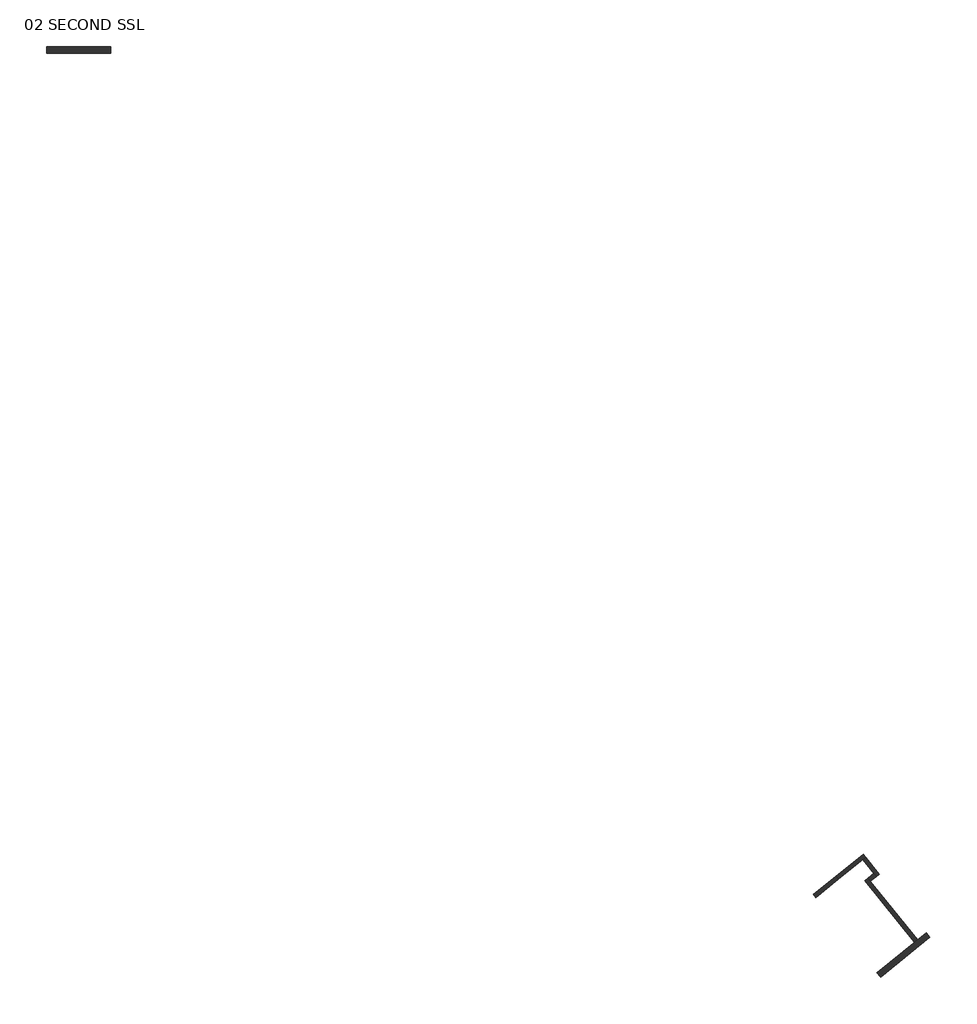
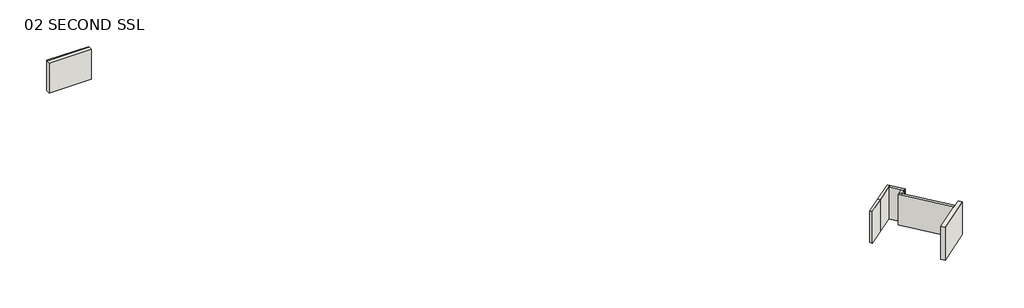
# One storey: 7 walls.
"""IFC4 building model written with IfcOpenShell, lengths in millimetres."""

import ifcopenshell
import ifcopenshell.guid

model = None  # the IFC model being written
_history = None  # IfcOwnerHistory: only IFC2X3 demands one
_inside = {}  # id of a spatial element -> (the spatial element, [elements in it])
_under = {}  # id of a project, library or spatial element -> (it, [spatial elements below it])
_declared = {}  # id of a project -> (the project, [libraries it declares])
_typed = {}  # id of a type object -> (the type object, [elements of that type])
_made_of = {}  # id of a material, layer set ... -> (it, [elements and type objects made of it])


def new_model(schema):
    """Start an empty IFC model of exactly this schema.

    Asked for "IFC4X3", IfcOpenShell would pick the latest addendum, in which some entities
    have other attributes; the version numbers below select the first issue.
    IFC2X3 requires an IfcOwnerHistory on every rooted entity: one is made here for all.
    """
    global model, _history
    if schema == "IFC4X3":
        model = ifcopenshell.file(schema_version=(4, 3, 0, 0))
    else:
        model = ifcopenshell.file(schema=schema)
    _inside.clear()
    _under.clear()
    _declared.clear()
    _typed.clear()
    _made_of.clear()
    _history = None
    if model.schema == "IFC2X3":
        org = make("IfcOrganization", Name="unknown")
        user = make(
            "IfcPersonAndOrganization",
            ThePerson=make("IfcPerson", FamilyName="unknown"),
            TheOrganization=org,
        )
        app = make(
            "IfcApplication",
            ApplicationDeveloper=org,
            Version="unknown",
            ApplicationFullName="unknown",
            ApplicationIdentifier="unknown",
        )
        _history = make(
            "IfcOwnerHistory",
            OwningUser=user,
            OwningApplication=app,
            ChangeAction="ADDED",
            CreationDate=0,
        )
    return model


def make(cls, **values):
    """One entity of the class cls with the attributes given. An attribute that is None is left unset."""
    return model.create_entity(
        cls, **{name: value for name, value in values.items() if value is not None}
    )


def rooted(cls, **values):
    """An entity with a GlobalId (a new one), such as an element, a storey or a relation."""
    return make(cls, GlobalId=ifcopenshell.guid.new(), OwnerHistory=_history, **values)


def si_unit(unit_type, name, prefix=None):
    """IfcSIUnit, for example si_unit("LENGTHUNIT", "METRE", prefix="MILLI")."""
    return make("IfcSIUnit", UnitType=unit_type, Prefix=prefix, Name=name)


def assignment(units):
    """IfcUnitAssignment: the units of a project."""
    return None if units is None else make("IfcUnitAssignment", Units=units)


def point(xyz):
    """IfcCartesianPoint."""
    return None if xyz is None else make("IfcCartesianPoint", Coordinates=xyz)


def direction(xyz):
    """IfcDirection."""
    return None if xyz is None else make("IfcDirection", DirectionRatios=xyz)


def frame(location, z_axis=None, x_axis=None):
    """IfcAxis2Placement3D, a coordinate frame: its origin and axes. An axis left out is left unset."""
    return make(
        "IfcAxis2Placement3D",
        Location=point(location),
        Axis=direction(z_axis),
        RefDirection=direction(x_axis),
    )


def origin():
    """The frame at (0, 0, 0) with its axes left unset."""
    return frame((0.0, 0.0, 0.0))


def place(relative_to, where):
    """IfcLocalPlacement: puts the frame where relative to a parent placement (None: the world)."""
    return make(
        "IfcLocalPlacement", PlacementRelTo=relative_to, RelativePlacement=where
    )


def context(
    kind, dimensions, precision=None, world=None, true_north=None, identifier=None
):
    """IfcGeometricRepresentationContext, for example the 3D "Model" context."""
    return make(
        "IfcGeometricRepresentationContext",
        ContextIdentifier=identifier,
        ContextType=kind,
        CoordinateSpaceDimension=dimensions,
        Precision=precision,
        WorldCoordinateSystem=world,
        TrueNorth=true_north,
    )


def project(units=None, contexts=None):
    """IfcProject with its units and contexts."""
    return rooted(
        "IfcProject",
        Name="project",
        RepresentationContexts=contexts,
        UnitsInContext=assignment(units),
    )


def spatial(cls, under=None, at=None, **own):
    """A site, building, storey or space (cls), placed at a placement, below another one or the project."""
    s = rooted(cls, ObjectPlacement=at, **own)
    if under is not None:
        _under.setdefault(under.id(), (under, []))[1].append(s)
    return s


def polyline(points):
    """IfcPolyline through the points."""
    return make("IfcPolyline", Points=[point(p) for p in points])


def outline(outer, holes=None, kind="AREA"):
    """IfcArbitraryClosedProfileDef: a profile drawn as a closed curve; with holes, ...WithVoids."""
    if holes is None:
        return make("IfcArbitraryClosedProfileDef", ProfileType=kind, OuterCurve=outer)
    return make(
        "IfcArbitraryProfileDefWithVoids",
        ProfileType=kind,
        OuterCurve=outer,
        InnerCurves=holes,
    )


def extrude(swept, where, along, depth):
    """IfcExtrudedAreaSolid: the profile swept, set in the frame where, extruded along a direction by depth."""
    return make(
        "IfcExtrudedAreaSolid",
        SweptArea=swept,
        Position=where,
        ExtrudedDirection=direction(along),
        Depth=depth,
    )


def faces_of(points, faces, orient=None, outer=None):
    """IfcFace entities. A face is a list of loops; a loop is a list of indices into points, from 0.

    orient and outer hold one flag for each loop. By default every Orientation is true, the
    first loop of a face is its IfcFaceOuterBound and the others are IfcFaceBound.
    """
    made = []
    for i, loops in enumerate(faces):
        bounds = []
        for j, loop in enumerate(loops):
            is_outer = j == 0 if outer is None else outer[i][j]
            bounds.append(
                make(
                    "IfcFaceOuterBound" if is_outer else "IfcFaceBound",
                    Bound=make("IfcPolyLoop", Polygon=[points[k] for k in loop]),
                    Orientation=True if orient is None else orient[i][j],
                )
            )
        made.append(make("IfcFace", Bounds=bounds))
    return made


def faceted_brep(points, faces, orient=None, outer=None, voids=None):
    """IfcFacetedBrep: a solid bounded by flat faces; with voids (closed shells), ...WithVoids."""
    shared = [point(p) for p in points]
    hull = make("IfcClosedShell", CfsFaces=faces_of(shared, faces, orient, outer))
    if voids is None:
        return make("IfcFacetedBrep", Outer=hull)
    return make(
        "IfcFacetedBrepWithVoids",
        Outer=hull,
        Voids=[
            make(cls, CfsFaces=faces_of(shared, fs, o, b)) for cls, fs, o, b in voids
        ],
    )


def shape(context_of_items, identifier, shape_type, items):
    """IfcShapeRepresentation: the items that make up one representation, for example the "Body"."""
    return make(
        "IfcShapeRepresentation",
        ContextOfItems=context_of_items,
        RepresentationIdentifier=identifier,
        RepresentationType=shape_type,
        Items=items,
    )


def made_of(thing, what):
    """Note that an element or type object is made of a material, layer set ...; save() writes the relation."""
    if what is not None:
        _made_of.setdefault(what.id(), (what, []))[1].append(thing)
    return thing


def element(
    cls,
    number,
    at=None,
    inside=None,
    cuts=None,
    type_object=None,
    material=None,
    context=None,
    identifier="Body",
    shape_type=None,
    held_by="IfcProductDefinitionShape",
    body=None,
    shapes=None,
    **own,
):
    """One element of the class cls, such as IfcWall. Its Tag is "e" and its number.

    at: its placement. inside: the storey or other place that contains it. cuts: it is an
    opening in that element (IfcRelVoidsElement). A single representation is given by context,
    identifier, shape_type and body (its items); several are given by shapes. held_by: the class
    of the entity that holds the representations. save() writes the other relations.
    """
    e = rooted(cls, Tag="e%d" % number, ObjectPlacement=at, **own)
    if body is not None:
        shapes = [shape(context, identifier, shape_type, body)]
    if shapes is not None:
        e.Representation = make(held_by, Representations=shapes)
    if inside is not None:
        _inside.setdefault(inside.id(), (inside, []))[1].append(e)
    if cuts is not None:
        rooted(
            "IfcRelVoidsElement", RelatingBuildingElement=cuts, RelatedOpeningElement=e
        )
    if type_object is not None:
        _typed.setdefault(type_object.id(), (type_object, []))[1].append(e)
    return made_of(e, material)


def aggregate(whole, parts):
    """IfcRelAggregates: a whole, such as a stair, and the parts it consists of."""
    return rooted("IfcRelAggregates", RelatingObject=whole, RelatedObjects=parts)


def save(model, path):
    """Write the relations noted so far, then the file.

    IfcRelAggregates (storeys below a building ...), IfcRelContainedInSpatialStructure (elements
    in a storey), IfcRelDefinesByType, IfcRelAssociatesMaterial and IfcRelDeclares: one each for
    every whole, place, type object, material and project.
    """
    for whole, parts in _under.values():
        aggregate(whole, parts)
    for where, things in _inside.values():
        rooted(
            "IfcRelContainedInSpatialStructure",
            RelatedElements=things,
            RelatingStructure=where,
        )
    for kind, things in _typed.values():
        rooted("IfcRelDefinesByType", RelatedObjects=things, RelatingType=kind)
    for what, things in _made_of.values():
        rooted("IfcRelAssociatesMaterial", RelatedObjects=things, RelatingMaterial=what)
    for by, libraries in _declared.values():
        rooted("IfcRelDeclares", RelatingContext=by, RelatedDefinitions=libraries)
    model.write(path)


model = new_model("IFC4")

# Units and contexts
model_context = context("Model", 3, world=origin())
ifc_project = project(units=[si_unit("LENGTHUNIT", "METRE", prefix="MILLI")], contexts=[model_context])

# Site, building, storey
site = spatial("IfcSite", under=ifc_project)
building = spatial("IfcBuilding", under=site)
storey = spatial("IfcBuildingStorey", under=building, Name="02 SECOND SSL", Elevation=43750.0)

# Walls
placement = place(None, origin())
element("IfcWall", 1, at=placement, inside=storey, context=model_context, shape_type="Brep", body=[
    faceted_brep([(-199414.0727119, 372369.9771404, 43900.0), (-202975.8953432, 376768.4617799, 43900.0), (-203164.6914605, 377001.6055683, 43900.0), (-203164.6914605, 377001.6055683, 47610.0), (-202975.8953432, 376768.4617799, 47610.0), (-199414.0727119, 372369.9771404, 47610.0), (-199647.2165003, 372181.1810231, 43900.0), (-199647.2165003, 372181.1810231, 47610.0), (-203397.8352489, 376812.809451, 47610.0), (-203397.8352489, 376812.809451, 43900.0)], [[[0, 1, 2, 3, 4, 5]], [[6, 7, 8, 9]], [[2, 1, 0, 6, 9]], [[5, 4, 3, 8, 7]], [[0, 5, 7, 6]], [[3, 2, 9, 8]]]),
])
element("IfcWall", 2, at=placement, inside=storey, context=model_context, shape_type="SweptSolid", body=[
    extrude(outline(polyline([(-202521.2767536, 377136.6046549), (-202975.8953432, 376768.4617799), (-203164.6914605, 377001.6055683), (-202710.0728709, 377369.7484434), (-202521.2767536, 377136.6046549)])), frame((0.0, 0.0, 43900.0), z_axis=(0.0, 0.0, 1.0), x_axis=(1.0, 0.0, 0.0)), (0.0, 0.0, 1.0), 3710.0),
])
element("IfcWall", 3, at=placement, inside=storey, context=model_context, shape_type="SweptSolid", body=[
    extrude(outline(polyline([(-205374.6403289, 376930.1598971), (-207069.6734827, 375557.5491134), (-207258.4696, 375790.6929018), (-205563.4364462, 377163.3036855), (-205374.6403289, 376930.1598971)])), frame((0.0, 0.0, 43750.0), z_axis=(0.0, 0.0, 1.0), x_axis=(1.0, 0.0, 0.0)), (0.0, 0.0, 1.0), 3860.0),
])
element("IfcWall", 4, at=placement, inside=storey, context=model_context, shape_type="Brep", body=[
    faceted_brep([(-205374.6403289, 376930.1598971, 43750.0), (-203550.3679962, 378407.4265043, 43750.0), (-203317.2242078, 378596.2226216, 43750.0), (-203317.2242078, 378596.2226216, 47610.0), (-203550.3679962, 378407.4265043, 47610.0), (-205374.6403289, 376930.1598971, 47610.0), (-203506.0203251, 378829.36641, 43750.0), (-205563.4364462, 377163.3036855, 43750.0), (-205563.4364462, 377163.3036855, 47610.0), (-203506.0203251, 378829.36641, 47610.0)], [[[0, 1, 2, 3, 4, 5]], [[6, 7, 8, 9]], [[2, 1, 0, 7, 6]], [[5, 4, 3, 9, 8]], [[0, 5, 8, 7]], [[3, 2, 6, 9]]]),
])
element("IfcWall", 5, at=placement, inside=storey, context=model_context, shape_type="Brep", body=[
    faceted_brep([(-203550.3679962, 378407.4265043, 43750.0), (-202521.2767536, 377136.6046549, 43750.0), (-202521.2767536, 377136.6046549, 43900.0), (-202521.2767536, 377136.6046549, 47610.0), (-202710.0728709, 377369.7484434, 47610.0), (-203550.3679962, 378407.4265043, 47610.0), (-203317.2242078, 378596.2226216, 43750.0), (-203317.2242078, 378596.2226216, 47610.0), (-202288.1329652, 377325.4007723, 47610.0), (-202288.1329652, 377325.4007723, 43750.0)], [[[0, 1, 2, 3, 4, 5]], [[6, 7, 8, 9]], [[1, 0, 6, 9]], [[5, 4, 3, 8, 7]], [[3, 2, 1, 9, 8]], [[0, 5, 7, 6]]]),
])
element("IfcWall", 6, ObjectType="507 EXTERNAL BRICK WALL", at=placement, inside=storey, context=model_context, shape_type="SweptSolid", body=[
    extrude(outline(polyline([(439116.8666704, 43750.0), (439116.8666704, 47440.0), (439471.8666704, 47440.0), (439623.8666704, 47440.0), (439623.8666704, 43750.0), (439116.8666704, 43750.0)])), frame((-265025.7, 0.0, 0.0), z_axis=(1.0, 0.0, 0.0), x_axis=(0.0, 1.0, 0.0)), (0.0, 0.0, 1.0), 4838.3128216),
])
element("IfcWall", 7, ObjectType="Type 06B - 450 INTERNAL BLOCKWORK WALL", at=placement, inside=storey, context=model_context, shape_type="Brep", body=[
    faceted_brep([(-202195.5654328, 369538.5269419, 43610.0), (-198476.1448612, 372550.4543335, 43610.0), (-198476.1448612, 372550.4543335, 47610.0), (-202195.5654328, 369538.5269419, 47610.0), (-202478.7596087, 369888.2426246, 43610.0), (-202478.7596087, 369888.2426246, 47610.0), (-199647.2165003, 372181.1810231, 47610.0), (-199414.0727119, 372369.9771404, 47610.0), (-198759.3390372, 372900.1700161, 47610.0), (-198759.3390372, 372900.1700161, 43610.0)], [[[0, 1, 2, 3]], [[4, 5, 6, 7, 8, 9]], [[1, 0, 4, 9]], [[2, 1, 9, 8]], [[3, 2, 8, 7, 6, 5]], [[0, 3, 5, 4]]]),
])

save(model, "model.ifc")
